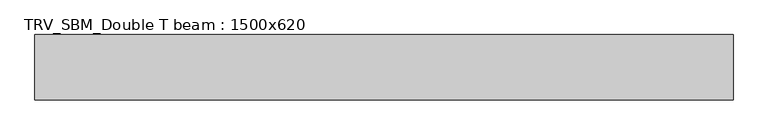
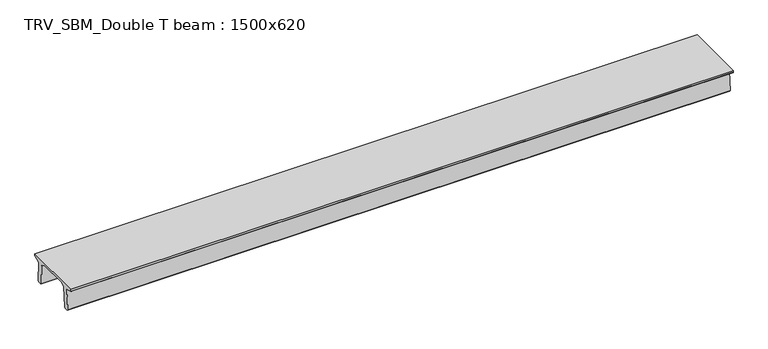
"""IFC4 building model written with IfcOpenShell, lengths in millimetres: beam geometry, TRV_SBM_Double T beam : 1500x620."""

from ifc_helpers import new_model, si_unit, frame, origin, place, context, project, spatial, polyline, outline, extrude, source, transform, mapped, element, save


def trv_sbm_double_t_beam_1500x620_8fac1b89(model_context):
    return source(origin(), model_context, "Body", "SweptSolid", [
        extrude(outline(polyline([(-765.0, 215.0), (-765.0, 260.0), (735.0, 260.0), (735.0, 215.0), (728.2094488, 201.315559), (578.0626443, 140.6523122), (594.8277662, -339.4379646), (574.2657308, -360.0), (484.2657308, -360.0), (464.786332, -340.5206011), (447.8600761, 144.18395), (338.3237744, 210.0), (-367.4555014, 210.0), (-476.5389732, 151.9992892), (-507.0080378, -339.3850967), (-527.622941, -360.0), (-615.122941, -360.0), (-637.1143055, -338.0086356), (-606.1572167, 162.687806), (-761.3068466, 204.260024), (-765.0, 215.0)])), frame((-7996.5, 0.0, 0.0), z_axis=(1.0, 0.0, 0.0), x_axis=(0.0, 1.0, 0.0)), (0.0, 0.0, 1.0), 15993.0),
    ])


if __name__ == "__main__":
    model = new_model("IFC4")
    model_context = context("Model", 3, world=origin())
    ifc_project = project(units=[si_unit("LENGTHUNIT", "METRE", prefix="MILLI")], contexts=[model_context])
    site = spatial("IfcSite", under=ifc_project)
    building = spatial("IfcBuilding", under=site)
    placement = place(None, origin())
    trv_sbm_double_t_beam_1500x620_shape = trv_sbm_double_t_beam_1500x620_8fac1b89(model_context)
    element("IfcBeam", 1, ObjectType="TRV_SBM_Double T beam : 1500x620", at=placement, inside=building, context=model_context, shape_type="MappedRepresentation", body=[
        mapped(trv_sbm_double_t_beam_1500x620_shape, transform((0.0, 0.0, 0.0), x_axis=(1.0, 0.0, 0.0), y_axis=(0.0, 1.0, 0.0), z_axis=(0.0, 0.0, 1.0))),
    ])
    save(model, "model.ifc")
